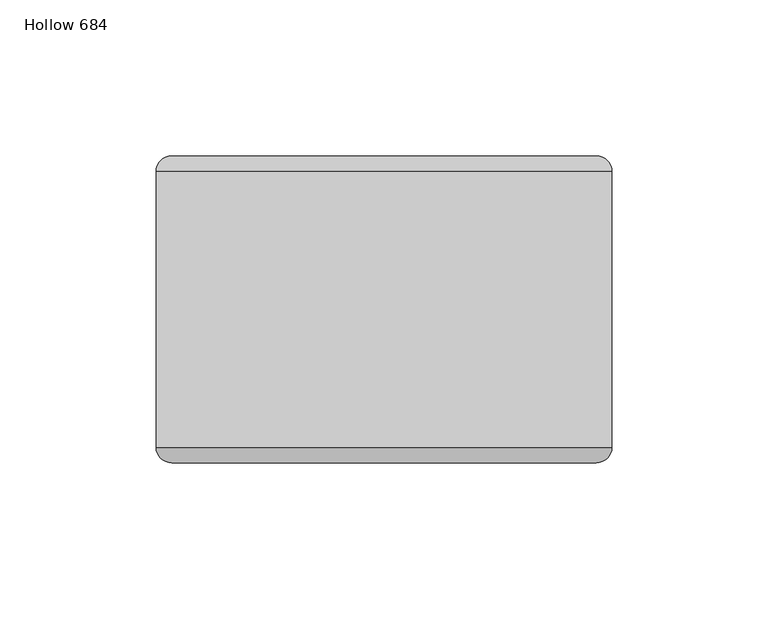
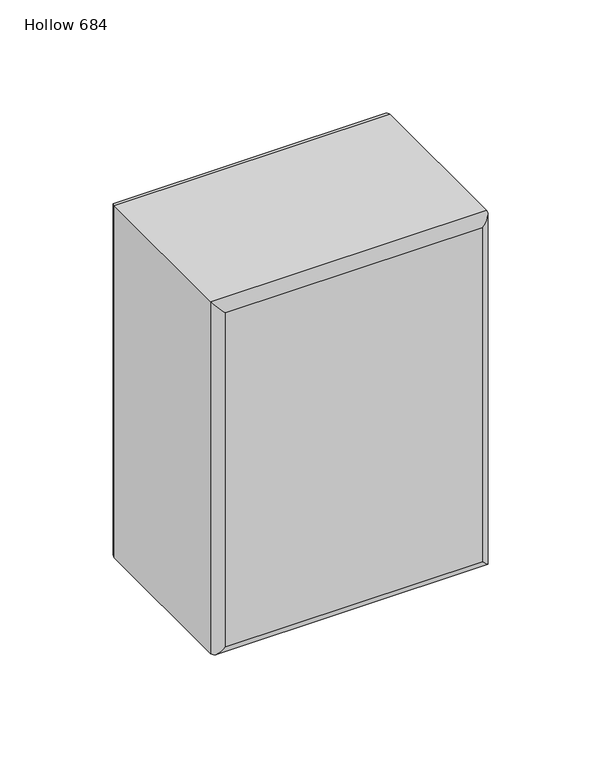
"""IFC4 building model written with IfcOpenShell, lengths in millimetres: plate geometry, Hollow 684."""

from ifc_helpers import new_model, si_unit, frame, origin, place, context, project, spatial, ellipse_curve, source, transform, mapped, element, save
from ifc_brep_helpers import plane_surface, cylinder_surface, advanced_brep


def hollow_684_2215b457(model_context):
    return source(origin(), model_context, "Body", "AdvancedBrep", [
        advanced_brep(
        [(-73.0582959, -44.2, 197.0), (73.0417041, -44.2, 197.0), (73.0417041, 44.2, 197.0), (-73.0582959, 44.2, 197.0), (73.0417041, -44.2, 0.0), (-73.0582959, -44.2, 0.0), (-73.0582959, 44.2, 0.0), (73.0417041, 44.2, 0.0), (-68.0582959, -49.2, 5.0), (68.0417041, -49.2, 5.0), (68.0417041, -49.2, 192.0), (-68.0582959, -49.2, 192.0), (68.0417041, 49.2, 5.0), (-68.0582959, 49.2, 5.0), (-68.0582959, 49.2, 192.0), (68.0417041, 49.2, 192.0)],
        [
            (0, 1),
            (1, 2),
            (2, 3),
            (3, 0),
            (4, 5),
            (5, 6),
            (6, 7),
            (7, 4),
            (8, 9),
            (9, 10),
            (10, 11),
            (11, 8),
            (1, 4),
            (7, 2),
            (12, 13),
            (13, 14),
            (14, 15),
            (15, 12),
            (5, 0),
            (3, 6),
            (4, 9, ellipse_curve(frame((68.0417041, -44.2, 5.0), z_axis=(-0.7071067811865475, 0.0, -0.7071067811865475), x_axis=(0.7071067811865476, 0.0, -0.7071067811865474)), 7.0710678, 5.0)),
            (8, 5, ellipse_curve(frame((-68.0582959, -44.2, 5.0), z_axis=(0.7071067811865475, 0.0, -0.7071067811865475), x_axis=(0.7071067811865476, 0.0, 0.7071067811865474)), 7.0710678, 5.0)),
            (1, 10, ellipse_curve(frame((68.0417041, -44.2, 192.0), z_axis=(0.7071067811865475, 0.0, -0.7071067811865475), x_axis=(0.7071067811865474, 0.0, 0.7071067811865476)), 7.0710678, 5.0)),
            (0, 11, ellipse_curve(frame((-68.0582959, -44.2, 192.0), z_axis=(0.7071067811865475, 0.0, 0.7071067811865475), x_axis=(-0.7071067811865476, 0.0, 0.7071067811865474)), 7.0710678, 5.0)),
            (12, 7, ellipse_curve(frame((68.0417041, 44.2, 5.0), z_axis=(-0.7071067811865475, 0.0, -0.7071067811865475), x_axis=(0.7071067811865476, 0.0, -0.7071067811865474)), 7.0710678, 5.0)),
            (6, 13, ellipse_curve(frame((-68.0582959, 44.2, 5.0), z_axis=(0.7071067811865475, 0.0, -0.7071067811865475), x_axis=(0.7071067811865476, 0.0, 0.7071067811865474)), 7.0710678, 5.0)),
            (15, 2, ellipse_curve(frame((68.0417041, 44.2, 192.0), z_axis=(0.7071067811865475, 0.0, -0.7071067811865475), x_axis=(0.7071067811865474, 0.0, 0.7071067811865476)), 7.0710678, 5.0)),
            (14, 3, ellipse_curve(frame((-68.0582959, 44.2, 192.0), z_axis=(0.7071067811865475, 0.0, 0.7071067811865475), x_axis=(-0.7071067811865476, 0.0, 0.7071067811865474)), 7.0710678, 5.0)),
        ],
        [
            plane_surface(frame((-73.0582959, -49.2, 197.0), z_axis=(0.0, 0.0, 1.0), x_axis=(1.0, 0.0, 0.0))),
            plane_surface(frame((-73.0582959, -49.2, 0.0), z_axis=(0.0, 0.0, -1.0), x_axis=(-1.0, 0.0, 0.0))),
            plane_surface(frame((-73.0582959, -49.2, 197.0), z_axis=(0.0, -1.0, 0.0), x_axis=(0.0, 0.0, -1.0))),
            plane_surface(frame((73.0417041, -49.2, 197.0), z_axis=(1.0, 0.0, 0.0), x_axis=(0.0, 0.0, -1.0))),
            plane_surface(frame((73.0417041, 49.2, 197.0), z_axis=(0.0, 1.0, 0.0), x_axis=(0.0, 0.0, -1.0))),
            plane_surface(frame((-73.0582959, 49.2, 197.0), z_axis=(-1.0, 0.0, 0.0), x_axis=(0.0, 0.0, -1.0))),
            cylinder_surface(frame((-73.0582959, -44.2, 5.0), z_axis=(1.0, 0.0, 0.0), x_axis=(0.0, 0.0, -1.0)), 5.0),
            cylinder_surface(frame((68.0417041, -44.2, 0.0), z_axis=(0.0, 0.0, 1.0), x_axis=(1.0, 0.0, 0.0)), 5.0),
            cylinder_surface(frame((73.0417041, -44.2, 192.0), z_axis=(-1.0, 0.0, 0.0), x_axis=(0.0, 0.0, 1.0)), 5.0),
            cylinder_surface(frame((-68.0582959, -44.2, 197.0), z_axis=(0.0, 0.0, -1.0), x_axis=(-1.0, 0.0, 0.0)), 5.0),
            cylinder_surface(frame((-73.0582959, 44.2, 5.0), z_axis=(1.0, 0.0, 0.0), x_axis=(0.0, 0.0, -1.0)), 5.0),
            cylinder_surface(frame((68.0417041, 44.2, 0.0), z_axis=(0.0, 0.0, 1.0), x_axis=(1.0, 0.0, 0.0)), 5.0),
            cylinder_surface(frame((73.0417041, 44.2, 192.0), z_axis=(-1.0, 0.0, 0.0), x_axis=(0.0, 0.0, 1.0)), 5.0),
            cylinder_surface(frame((-68.0582959, 44.2, 197.0), z_axis=(0.0, 0.0, -1.0), x_axis=(-1.0, 0.0, 0.0)), 5.0),
        ],
        [
            (0, [[1, 2, 3, 4]]),
            (1, [[5, 6, 7, 8]]),
            (2, [[9, 10, 11, 12]]),
            (3, [[13, -8, 14, -2]]),
            (4, [[15, 16, 17, 18]]),
            (5, [[19, -4, 20, -6]]),
            (6, [[21, -9, 22, -5]]),
            (7, [[-21, -13, 23, -10]]),
            (8, [[-23, -1, 24, -11]]),
            (9, [[-22, -12, -24, -19]]),
            (10, [[25, -7, 26, -15]]),
            (11, [[-25, -18, 27, -14]]),
            (12, [[-27, -17, 28, -3]]),
            (13, [[-26, -20, -28, -16]]),
        ],
    ),
    ])


if __name__ == "__main__":
    model = new_model("IFC4")
    model_context = context("Model", 3, world=origin())
    ifc_project = project(units=[si_unit("LENGTHUNIT", "METRE", prefix="MILLI")], contexts=[model_context])
    site = spatial("IfcSite", under=ifc_project)
    building = spatial("IfcBuilding", under=site)
    placement = place(None, origin())
    hollow_684_shape = hollow_684_2215b457(model_context)
    element("IfcPlate", 1, ObjectType="Hollow 684", at=placement, inside=building, context=model_context, shape_type="MappedRepresentation", body=[
        mapped(hollow_684_shape, transform((0.0, 0.0, 0.0), x_axis=(1.0, 0.0, 0.0), y_axis=(0.0, 1.0, 0.0), z_axis=(0.0, 0.0, 1.0))),
    ])
    save(model, "model.ifc")
